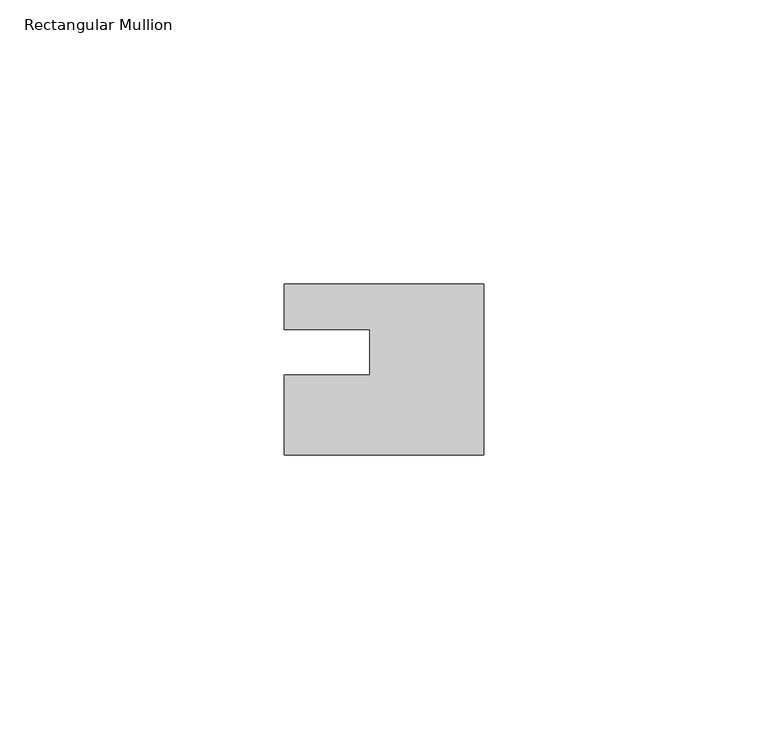
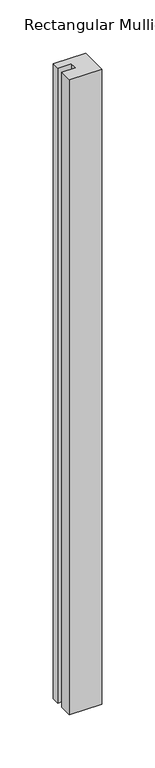
"""IFC4 building model written with IfcOpenShell, lengths in millimetres: member geometry, Rectangular Mullion."""

from ifc_helpers import new_model, si_unit, frame, origin, place, context, project, spatial, polyline, outline, extrude, source, transform, mapped, element, save


def rectangular_mullion_dcb4a161(model_context):
    return source(origin(), model_context, "Body", "SweptSolid", [
        extrude(outline(polyline([(0.0, 7.94), (0.0, -22.06), (-35.0, -22.06), (-35.0, -8.0), (-20.0, -8.0), (-20.0, 0.001), (-35.0, 0.001), (-35.0, 7.94), (0.0, 7.94)])), frame((0.0, 0.0, -727.0), z_axis=(0.0, 0.0, 1.0), x_axis=(1.0, 0.0, 0.0)), (0.0, 0.0, 1.0), 727.0),
    ])


if __name__ == "__main__":
    model = new_model("IFC4")
    model_context = context("Model", 3, world=origin())
    ifc_project = project(units=[si_unit("LENGTHUNIT", "METRE", prefix="MILLI")], contexts=[model_context])
    site = spatial("IfcSite", under=ifc_project)
    building = spatial("IfcBuilding", under=site)
    placement = place(None, origin())
    rectangular_mullion_shape = rectangular_mullion_dcb4a161(model_context)
    element("IfcMember", 1, ObjectType="Rectangular Mullion", at=placement, inside=building, context=model_context, shape_type="MappedRepresentation", body=[
        mapped(rectangular_mullion_shape, transform((0.0, 0.0, 0.0), x_axis=(1.0, 0.0, 0.0), y_axis=(0.0, 1.0, 0.0), z_axis=(0.0, 0.0, 1.0))),
    ])
    save(model, "model.ifc")
